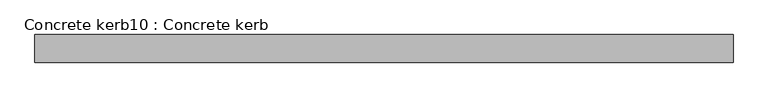
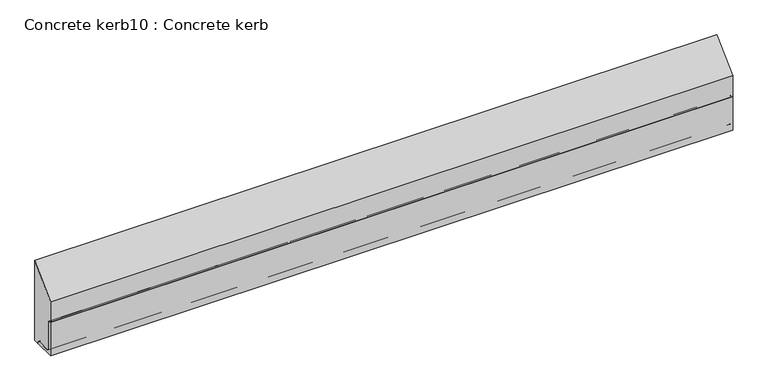
"""IFC4 building model written with IfcOpenShell, lengths in millimetres: proxy geometry, Concrete kerb10 : Concrete kerb."""

from ifc_helpers import new_model, si_unit, point, frame, frame_2d, origin, place, context, project, spatial, polyline, circle_curve, trimmed, segment, composite_curve, outline, extrude, source, transform, mapped, element, save


def concrete_kerb10_concrete_kerb_16e68151(model_context):
    return source(origin(), model_context, "Body", "SweptSolid", [
        extrude(outline(composite_curve([segment(polyline([(-21812.3538557, 400.0), (-21808.9987598, 400.0)]), True, "CONTINUOUS"), segment(trimmed(circle_curve(frame_2d((-21808.9987598, 391.355096)), 8.644904), [point((-21808.9987598, 400.0))], [point((-21800.3538557, 391.355096))], False, "CARTESIAN"), True, "CONTINUOUS"), segment(polyline([(-21800.3538557, 391.355096), (-21800.3538557, 293.5612899)]), True, "CONTINUOUS"), segment(trimmed(circle_curve(frame_2d((-21793.7925659, 293.5612899)), 6.5612899), [point((-21800.3538557, 293.5612899))], [point((-21793.7925659, 287.0))], True, "CARTESIAN"), True, "CONTINUOUS"), segment(polyline([(-21793.7925659, 287.0), (-21746.4211138, 287.0)]), True, "CONTINUOUS"), segment(trimmed(circle_curve(frame_2d((-21746.7795073, 277.4399527)), 9.5667628), [point((-21746.4211138, 287.0))], [point((-21737.3538557, 279.0770366))], False, "CARTESIAN"), True, "CONTINUOUS"), segment(polyline([(-21737.3538557, 279.0770366), (-21737.3538557, 275.0), (-21812.3538557, 275.0), (-21812.3538557, 400.0)]), True, "CONTINUOUS")], self_intersect=False)), frame((9564.6309284, 0.0, 0.0), z_axis=(1.0, 0.0, 0.0), x_axis=(0.0, 1.0, 0.0)), (0.0, 0.0, 1.0), 2400.0),
        extrude(outline(composite_curve([segment(polyline([(-21717.3538557, 572.0), (-21717.3538557, 275.0), (-21737.3538557, 275.0), (-21737.3538557, 279.0770366)]), True, "CONTINUOUS"), segment(trimmed(circle_curve(frame_2d((-21746.4211138, 277.8501081)), 9.1498919), [point((-21737.3538557, 279.0770366))], [point((-21746.4211138, 287.0))], True, "CARTESIAN"), True, "CONTINUOUS"), segment(polyline([(-21746.4211138, 287.0), (-21793.7925659, 287.0)]), True, "CONTINUOUS"), segment(trimmed(circle_curve(frame_2d((-21793.7925659, 293.5612899)), 6.5612899), [point((-21793.7925659, 287.0))], [point((-21800.3538557, 293.5612899))], False, "CARTESIAN"), True, "CONTINUOUS"), segment(polyline([(-21800.3538557, 293.5612899), (-21800.3538557, 391.355096)]), True, "CONTINUOUS"), segment(trimmed(circle_curve(frame_2d((-21808.9987598, 391.355096)), 8.644904), [point((-21800.3538557, 391.355096))], [point((-21808.9987598, 400.0))], True, "CARTESIAN"), True, "CONTINUOUS"), segment(polyline([(-21808.9987598, 400.0), (-21812.3538557, 400.0), (-21812.3538557, 477.0), (-21717.3538557, 572.0)]), True, "CONTINUOUS")], self_intersect=False)), frame((9564.6309284, 0.0, 0.0), z_axis=(1.0, 0.0, 0.0), x_axis=(0.0, 1.0, 0.0)), (0.0, 0.0, 1.0), 2400.0),
    ])


if __name__ == "__main__":
    model = new_model("IFC4")
    model_context = context("Model", 3, world=origin())
    ifc_project = project(units=[si_unit("LENGTHUNIT", "METRE", prefix="MILLI")], contexts=[model_context])
    site = spatial("IfcSite", under=ifc_project)
    building = spatial("IfcBuilding", under=site)
    placement = place(None, origin())
    concrete_kerb10_concrete_kerb_shape = concrete_kerb10_concrete_kerb_16e68151(model_context)
    element("IfcBuildingElementProxy", 1, Name="Concrete kerb10 : Concrete kerb", ObjectType="Concrete kerb10 : Concrete kerb", at=placement, inside=building, context=model_context, shape_type="MappedRepresentation", body=[
        mapped(concrete_kerb10_concrete_kerb_shape, transform((0.0, 0.0, 0.0), x_axis=(1.0, 0.0, 0.0), y_axis=(0.0, 1.0, 0.0), z_axis=(0.0, 0.0, 1.0))),
    ])
    save(model, "model.ifc")
